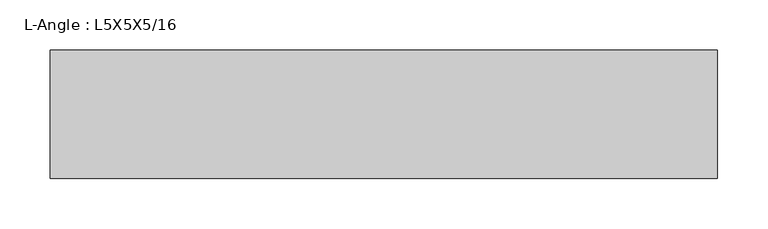
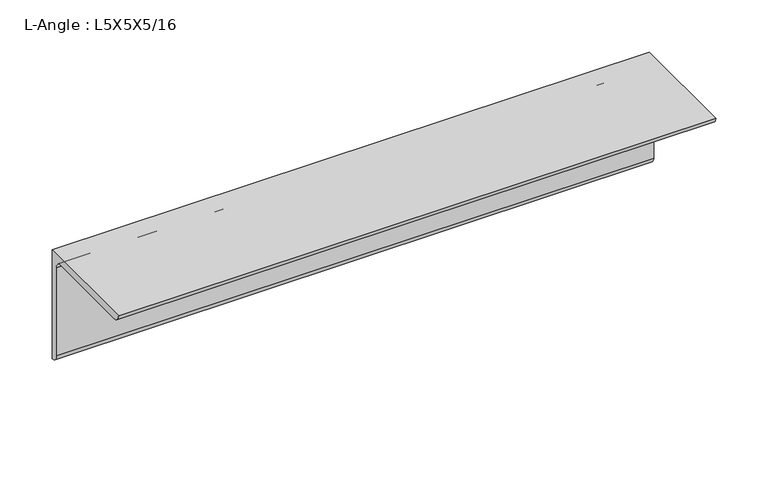
"""IFC4 building model written with IfcOpenShell, lengths in millimetres: beam geometry, L-Angle : L5X5X5/16."""

import ifcopenshell
import ifcopenshell.guid

model = None  # the IFC model being written
_history = None  # IfcOwnerHistory: only IFC2X3 demands one
_inside = {}  # id of a spatial element -> (the spatial element, [elements in it])
_under = {}  # id of a project, library or spatial element -> (it, [spatial elements below it])
_declared = {}  # id of a project -> (the project, [libraries it declares])
_typed = {}  # id of a type object -> (the type object, [elements of that type])
_made_of = {}  # id of a material, layer set ... -> (it, [elements and type objects made of it])


def new_model(schema):
    """Start an empty IFC model of exactly this schema.

    Asked for "IFC4X3", IfcOpenShell would pick the latest addendum, in which some entities
    have other attributes; the version numbers below select the first issue.
    IFC2X3 requires an IfcOwnerHistory on every rooted entity: one is made here for all.
    """
    global model, _history
    if schema == "IFC4X3":
        model = ifcopenshell.file(schema_version=(4, 3, 0, 0))
    else:
        model = ifcopenshell.file(schema=schema)
    _inside.clear()
    _under.clear()
    _declared.clear()
    _typed.clear()
    _made_of.clear()
    _history = None
    if model.schema == "IFC2X3":
        org = make("IfcOrganization", Name="unknown")
        user = make(
            "IfcPersonAndOrganization",
            ThePerson=make("IfcPerson", FamilyName="unknown"),
            TheOrganization=org,
        )
        app = make(
            "IfcApplication",
            ApplicationDeveloper=org,
            Version="unknown",
            ApplicationFullName="unknown",
            ApplicationIdentifier="unknown",
        )
        _history = make(
            "IfcOwnerHistory",
            OwningUser=user,
            OwningApplication=app,
            ChangeAction="ADDED",
            CreationDate=0,
        )
    return model


def make(cls, **values):
    """One entity of the class cls with the attributes given. An attribute that is None is left unset."""
    return model.create_entity(
        cls, **{name: value for name, value in values.items() if value is not None}
    )


def rooted(cls, **values):
    """An entity with a GlobalId (a new one), such as an element, a storey or a relation."""
    return make(cls, GlobalId=ifcopenshell.guid.new(), OwnerHistory=_history, **values)


def si_unit(unit_type, name, prefix=None):
    """IfcSIUnit, for example si_unit("LENGTHUNIT", "METRE", prefix="MILLI")."""
    return make("IfcSIUnit", UnitType=unit_type, Prefix=prefix, Name=name)


def assignment(units):
    """IfcUnitAssignment: the units of a project."""
    return None if units is None else make("IfcUnitAssignment", Units=units)


def point(xyz):
    """IfcCartesianPoint."""
    return None if xyz is None else make("IfcCartesianPoint", Coordinates=xyz)


def direction(xyz):
    """IfcDirection."""
    return None if xyz is None else make("IfcDirection", DirectionRatios=xyz)


def frame(location, z_axis=None, x_axis=None):
    """IfcAxis2Placement3D, a coordinate frame: its origin and axes. An axis left out is left unset."""
    return make(
        "IfcAxis2Placement3D",
        Location=point(location),
        Axis=direction(z_axis),
        RefDirection=direction(x_axis),
    )


def frame_2d(location, x_axis=None):
    """IfcAxis2Placement2D, a coordinate frame in the plane: its origin and x axis."""
    return make(
        "IfcAxis2Placement2D", Location=point(location), RefDirection=direction(x_axis)
    )


def origin():
    """The frame at (0, 0, 0) with its axes left unset."""
    return frame((0.0, 0.0, 0.0))


def place(relative_to, where):
    """IfcLocalPlacement: puts the frame where relative to a parent placement (None: the world)."""
    return make(
        "IfcLocalPlacement", PlacementRelTo=relative_to, RelativePlacement=where
    )


def context(
    kind, dimensions, precision=None, world=None, true_north=None, identifier=None
):
    """IfcGeometricRepresentationContext, for example the 3D "Model" context."""
    return make(
        "IfcGeometricRepresentationContext",
        ContextIdentifier=identifier,
        ContextType=kind,
        CoordinateSpaceDimension=dimensions,
        Precision=precision,
        WorldCoordinateSystem=world,
        TrueNorth=true_north,
    )


def project(units=None, contexts=None):
    """IfcProject with its units and contexts."""
    return rooted(
        "IfcProject",
        Name="project",
        RepresentationContexts=contexts,
        UnitsInContext=assignment(units),
    )


def spatial(cls, under=None, at=None, **own):
    """A site, building, storey or space (cls), placed at a placement, below another one or the project."""
    s = rooted(cls, ObjectPlacement=at, **own)
    if under is not None:
        _under.setdefault(under.id(), (under, []))[1].append(s)
    return s


def polyline(points):
    """IfcPolyline through the points."""
    return make("IfcPolyline", Points=[point(p) for p in points])


def circle_curve(where, radius):
    """IfcCircle in the frame where."""
    return make("IfcCircle", Position=where, Radius=radius)


def trimmed(basis, trim1, trim2, sense, master):
    """IfcTrimmedCurve: the piece of a basis curve between two trims."""
    return make(
        "IfcTrimmedCurve",
        BasisCurve=basis,
        Trim1=trim1,
        Trim2=trim2,
        SenseAgreement=sense,
        MasterRepresentation=master,
    )


def segment(curve, same_sense, transition):
    """IfcCompositeCurveSegment."""
    return make(
        "IfcCompositeCurveSegment",
        Transition=transition,
        SameSense=same_sense,
        ParentCurve=curve,
    )


def composite_curve(segments, self_intersect=None):
    """IfcCompositeCurve: segments joined end to end."""
    return make("IfcCompositeCurve", Segments=segments, SelfIntersect=self_intersect)


def outline(outer, holes=None, kind="AREA"):
    """IfcArbitraryClosedProfileDef: a profile drawn as a closed curve; with holes, ...WithVoids."""
    if holes is None:
        return make("IfcArbitraryClosedProfileDef", ProfileType=kind, OuterCurve=outer)
    return make(
        "IfcArbitraryProfileDefWithVoids",
        ProfileType=kind,
        OuterCurve=outer,
        InnerCurves=holes,
    )


def extrude(swept, where, along, depth):
    """IfcExtrudedAreaSolid: the profile swept, set in the frame where, extruded along a direction by depth."""
    return make(
        "IfcExtrudedAreaSolid",
        SweptArea=swept,
        Position=where,
        ExtrudedDirection=direction(along),
        Depth=depth,
    )


def shape(context_of_items, identifier, shape_type, items):
    """IfcShapeRepresentation: the items that make up one representation, for example the "Body"."""
    return make(
        "IfcShapeRepresentation",
        ContextOfItems=context_of_items,
        RepresentationIdentifier=identifier,
        RepresentationType=shape_type,
        Items=items,
    )


def source(mapping_origin, context_of_items, identifier, shape_type, items):
    """IfcRepresentationMap: a shape defined once, which mapped items show again and again."""
    return make(
        "IfcRepresentationMap",
        MappingOrigin=mapping_origin,
        MappedRepresentation=shape(context_of_items, identifier, shape_type, items),
    )


def transform(
    local_origin,
    x_axis=None,
    y_axis=None,
    z_axis=None,
    scale=None,
    scale2=None,
    scale3=None,
    uniform=True,
):
    """IfcCartesianTransformationOperator3D, or its non-uniform kind. x_axis, y_axis, z_axis: its Axis1, 2, 3."""
    if uniform:
        return make(
            "IfcCartesianTransformationOperator3D",
            Axis1=direction(x_axis),
            Axis2=direction(y_axis),
            LocalOrigin=point(local_origin),
            Scale=scale,
            Axis3=direction(z_axis),
        )
    return make(
        "IfcCartesianTransformationOperator3DnonUniform",
        Axis1=direction(x_axis),
        Axis2=direction(y_axis),
        LocalOrigin=point(local_origin),
        Scale=scale,
        Axis3=direction(z_axis),
        Scale2=scale2,
        Scale3=scale3,
    )


def mapped(mapping_source, mapping_target):
    """IfcMappedItem: shows the shape of a source again, moved by a transform."""
    return make(
        "IfcMappedItem", MappingSource=mapping_source, MappingTarget=mapping_target
    )


def made_of(thing, what):
    """Note that an element or type object is made of a material, layer set ...; save() writes the relation."""
    if what is not None:
        _made_of.setdefault(what.id(), (what, []))[1].append(thing)
    return thing


def element(
    cls,
    number,
    at=None,
    inside=None,
    cuts=None,
    type_object=None,
    material=None,
    context=None,
    identifier="Body",
    shape_type=None,
    held_by="IfcProductDefinitionShape",
    body=None,
    shapes=None,
    **own,
):
    """One element of the class cls, such as IfcWall. Its Tag is "e" and its number.

    at: its placement. inside: the storey or other place that contains it. cuts: it is an
    opening in that element (IfcRelVoidsElement). A single representation is given by context,
    identifier, shape_type and body (its items); several are given by shapes. held_by: the class
    of the entity that holds the representations. save() writes the other relations.
    """
    e = rooted(cls, Tag="e%d" % number, ObjectPlacement=at, **own)
    if body is not None:
        shapes = [shape(context, identifier, shape_type, body)]
    if shapes is not None:
        e.Representation = make(held_by, Representations=shapes)
    if inside is not None:
        _inside.setdefault(inside.id(), (inside, []))[1].append(e)
    if cuts is not None:
        rooted(
            "IfcRelVoidsElement", RelatingBuildingElement=cuts, RelatedOpeningElement=e
        )
    if type_object is not None:
        _typed.setdefault(type_object.id(), (type_object, []))[1].append(e)
    return made_of(e, material)


def aggregate(whole, parts):
    """IfcRelAggregates: a whole, such as a stair, and the parts it consists of."""
    return rooted("IfcRelAggregates", RelatingObject=whole, RelatedObjects=parts)


def save(model, path):
    """Write the relations noted so far, then the file.

    IfcRelAggregates (storeys below a building ...), IfcRelContainedInSpatialStructure (elements
    in a storey), IfcRelDefinesByType, IfcRelAssociatesMaterial and IfcRelDeclares: one each for
    every whole, place, type object, material and project.
    """
    for whole, parts in _under.values():
        aggregate(whole, parts)
    for where, things in _inside.values():
        rooted(
            "IfcRelContainedInSpatialStructure",
            RelatedElements=things,
            RelatingStructure=where,
        )
    for kind, things in _typed.values():
        rooted("IfcRelDefinesByType", RelatedObjects=things, RelatingType=kind)
    for what, things in _made_of.values():
        rooted("IfcRelAssociatesMaterial", RelatedObjects=things, RelatingMaterial=what)
    for by, libraries in _declared.values():
        rooted("IfcRelDeclares", RelatingContext=by, RelatedDefinitions=libraries)
    model.write(path)


def l_angle_l5x5x5_16_4b06c762(model_context):
    return source(origin(), model_context, "Body", "SweptSolid", [
        extrude(outline(composite_curve([segment(polyline([(34.3296875, 34.3296875), (34.3296875, -92.6703125)]), True, "CONTINUOUS"), segment(trimmed(circle_curve(frame_2d((34.3296875, -84.7328125)), 7.9375), [point((34.3296875, -92.6703125))], [point((26.3921875, -84.7328125))], False, "CARTESIAN"), True, "CONTINUOUS"), segment(polyline([(26.3921875, -84.7328125), (26.3921875, 18.4546875)]), True, "CONTINUOUS"), segment(trimmed(circle_curve(frame_2d((18.4546875, 18.4546875)), 7.9375), [point((26.3921875, 18.4546875))], [point((18.4546875, 26.3921875))], True, "CARTESIAN"), True, "CONTINUOUS"), segment(polyline([(18.4546875, 26.3921875), (-84.7328125, 26.3921875)]), True, "CONTINUOUS"), segment(trimmed(circle_curve(frame_2d((-84.7328125, 34.3296875)), 7.9375), [point((-84.7328125, 26.3921875))], [point((-92.6703125, 34.3296875))], False, "CARTESIAN"), True, "CONTINUOUS"), segment(polyline([(-92.6703125, 34.3296875), (34.3296875, 34.3296875)]), True, "CONTINUOUS")], self_intersect=False)), frame((-359.3703125, 0.0, 0.0), z_axis=(1.0, 0.0, 0.0), x_axis=(0.0, 1.0, 0.0)), (0.0, 0.0, 1.0), 660.4),
    ])


if __name__ == "__main__":
    model = new_model("IFC4")
    model_context = context("Model", 3, world=origin())
    ifc_project = project(units=[si_unit("LENGTHUNIT", "METRE", prefix="MILLI")], contexts=[model_context])
    site = spatial("IfcSite", under=ifc_project)
    building = spatial("IfcBuilding", under=site)
    placement = place(None, origin())
    l_angle_l5x5x5_16_shape = l_angle_l5x5x5_16_4b06c762(model_context)
    element("IfcBeam", 1, ObjectType="L-Angle : L5X5X5/16", at=placement, inside=building, context=model_context, shape_type="MappedRepresentation", body=[
        mapped(l_angle_l5x5x5_16_shape, transform((0.0, 0.0, 0.0), x_axis=(1.0, 0.0, 0.0), y_axis=(0.0, 1.0, 0.0), z_axis=(0.0, 0.0, 1.0))),
    ])
    save(model, "model.ifc")
